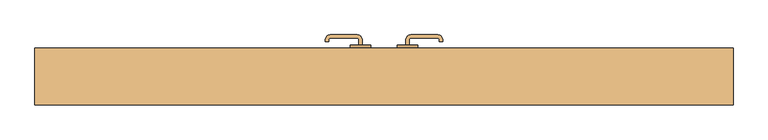
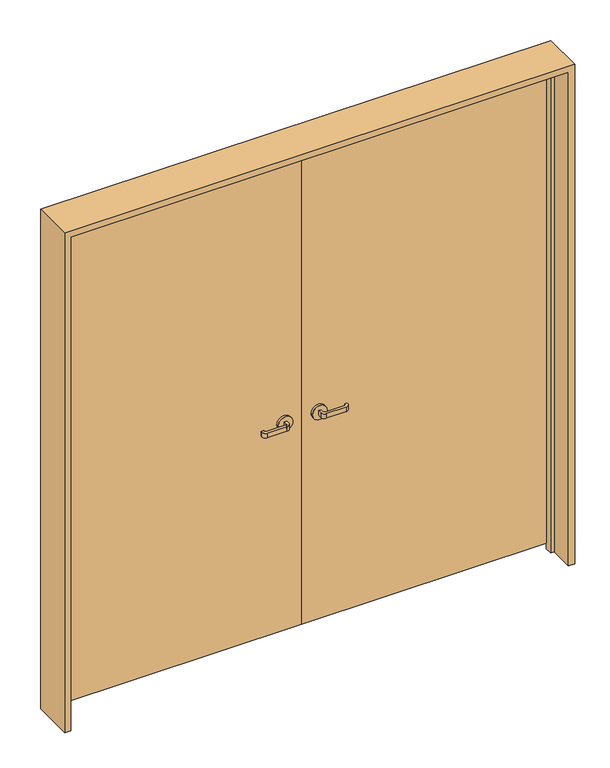
"""IFC4 building model written with IfcOpenShell, lengths in millimetres: door geometry."""

from ifc_helpers import new_model, si_unit, point, frame, frame_2d, origin, place, context, project, spatial, polyline, circle_curve, trimmed, segment, composite_curve, outline, extrude, faceted_brep, source, transform, mapped, element, save


def door_c8817a07(model_context):
    return source(origin(), model_context, "Body", "SolidModel", [
        extrude(outline(composite_curve([segment(polyline([(-65.0, 95.0), (-75.0, 95.0), (-75.0, 110.0)]), True, "CONTINUOUS"), segment(trimmed(circle_curve(frame_2d((-80.0, 110.0)), 5.0), [point((-75.0, 110.0))], [point((-80.0, 115.0))], True, "CARTESIAN"), True, "CONTINUOUS"), segment(polyline([(-80.0, 115.0), (-160.0, 115.0)]), True, "CONTINUOUS"), segment(trimmed(circle_curve(frame_2d((-160.0, 110.0)), 5.0), [point((-160.0, 115.0))], [point((-165.0, 110.0))], True, "CARTESIAN"), True, "CONTINUOUS"), segment(polyline([(-165.0, 110.0), (-165.0, 105.0), (-175.0, 105.0), (-175.0, 110.0)]), True, "CONTINUOUS"), segment(trimmed(circle_curve(frame_2d((-160.0, 110.0)), 15.0), [point((-175.0, 110.0))], [point((-160.0, 125.0))], False, "CARTESIAN"), True, "CONTINUOUS"), segment(polyline([(-160.0, 125.0), (-80.0, 125.0)]), True, "CONTINUOUS"), segment(trimmed(circle_curve(frame_2d((-80.0, 110.0)), 15.0), [point((-80.0, 125.0))], [point((-65.0, 110.0))], False, "CARTESIAN"), True, "CONTINUOUS"), segment(polyline([(-65.0, 110.0), (-65.0, 95.0)]), True, "CONTINUOUS")], self_intersect=False)), frame((0.0, 0.0, 895.0), z_axis=(0.0, 0.0, 1.0), x_axis=(1.0, 0.0, 0.0)), (0.0, 0.0, 1.0), 20.0),
        extrude(outline(composite_curve([segment(trimmed(circle_curve(frame_2d((905.0, -70.0)), 30.0), [point((905.0, -40.0))], [point((905.0, -100.0))], False, "CARTESIAN"), True, "CONTINUOUS"), segment(trimmed(circle_curve(frame_2d((905.0, -70.0)), 30.0), [point((905.0, -100.0))], [point((905.0, -40.0))], False, "CARTESIAN"), True, "CONTINUOUS")], self_intersect=False)), frame((0.0, 85.0, 0.0), z_axis=(0.0, 1.0, 0.0), x_axis=(0.0, 0.0, 1.0)), (0.0, 0.0, 1.0), 10.0),
        extrude(outline(composite_curve([segment(polyline([(-75.0, 35.0), (-65.0, 35.0), (-65.0, 20.0)]), True, "CONTINUOUS"), segment(trimmed(circle_curve(frame_2d((-80.0, 20.0)), 15.0), [point((-65.0, 20.0))], [point((-80.0, 5.0))], False, "CARTESIAN"), True, "CONTINUOUS"), segment(polyline([(-80.0, 5.0), (-160.0, 5.0)]), True, "CONTINUOUS"), segment(trimmed(circle_curve(frame_2d((-160.0, 20.0)), 15.0), [point((-160.0, 5.0))], [point((-175.0, 20.0))], False, "CARTESIAN"), True, "CONTINUOUS"), segment(polyline([(-175.0, 20.0), (-175.0, 25.0), (-165.0, 25.0), (-165.0, 20.0)]), True, "CONTINUOUS"), segment(trimmed(circle_curve(frame_2d((-160.0, 20.0)), 5.0), [point((-165.0, 20.0))], [point((-160.0, 15.0))], True, "CARTESIAN"), True, "CONTINUOUS"), segment(polyline([(-160.0, 15.0), (-80.0, 15.0)]), True, "CONTINUOUS"), segment(trimmed(circle_curve(frame_2d((-80.0, 20.0)), 5.0), [point((-80.0, 15.0))], [point((-75.0, 20.0))], True, "CARTESIAN"), True, "CONTINUOUS"), segment(polyline([(-75.0, 20.0), (-75.0, 35.0)]), True, "CONTINUOUS")], self_intersect=False)), frame((0.0, 0.0, 895.0), z_axis=(0.0, 0.0, 1.0), x_axis=(1.0, 0.0, 0.0)), (0.0, 0.0, 1.0), 20.0),
        extrude(outline(composite_curve([segment(trimmed(circle_curve(frame_2d((905.0, -70.0)), 30.0), [point((905.0, -40.0))], [point((905.0, -100.0))], False, "CARTESIAN"), True, "CONTINUOUS"), segment(trimmed(circle_curve(frame_2d((905.0, -70.0)), 30.0), [point((905.0, -100.0))], [point((905.0, -40.0))], False, "CARTESIAN"), True, "CONTINUOUS")], self_intersect=False)), frame((0.0, 35.0, 0.0), z_axis=(0.0, 1.0, 0.0), x_axis=(0.0, 0.0, 1.0)), (0.0, 0.0, 1.0), 10.0),
        extrude(outline(polyline([(0.0, 45.0), (-1010.0, 45.0), (-1010.0, 85.0), (0.0, 85.0), (0.0, 45.0)])), frame((0.0, 0.0, 10.0), z_axis=(0.0, 0.0, 1.0), x_axis=(1.0, 0.0, 0.0)), (0.0, 0.0, 1.0), 2100.0),
        extrude(outline(composite_curve([segment(polyline([(65.0, 35.0), (75.0, 35.0), (75.0, 20.0)]), True, "CONTINUOUS"), segment(trimmed(circle_curve(frame_2d((80.0, 20.0)), 5.0), [point((75.0, 20.0))], [point((80.0, 15.0))], True, "CARTESIAN"), True, "CONTINUOUS"), segment(polyline([(80.0, 15.0), (160.0, 15.0)]), True, "CONTINUOUS"), segment(trimmed(circle_curve(frame_2d((160.0, 20.0)), 5.0), [point((160.0, 15.0))], [point((165.0, 20.0))], True, "CARTESIAN"), True, "CONTINUOUS"), segment(polyline([(165.0, 20.0), (165.0, 25.0), (175.0, 25.0), (175.0, 20.0)]), True, "CONTINUOUS"), segment(trimmed(circle_curve(frame_2d((160.0, 20.0)), 15.0), [point((175.0, 20.0))], [point((160.0, 5.0))], False, "CARTESIAN"), True, "CONTINUOUS"), segment(polyline([(160.0, 5.0), (80.0, 5.0)]), True, "CONTINUOUS"), segment(trimmed(circle_curve(frame_2d((80.0, 20.0)), 15.0), [point((80.0, 5.0))], [point((65.0, 20.0))], False, "CARTESIAN"), True, "CONTINUOUS"), segment(polyline([(65.0, 20.0), (65.0, 35.0)]), True, "CONTINUOUS")], self_intersect=False)), frame((0.0, 0.0, 895.0), z_axis=(0.0, 0.0, 1.0), x_axis=(1.0, 0.0, 0.0)), (0.0, 0.0, 1.0), 20.0),
        extrude(outline(composite_curve([segment(trimmed(circle_curve(frame_2d((905.0, 70.0)), 30.0), [point((905.0, 40.0))], [point((905.0, 100.0))], False, "CARTESIAN"), True, "CONTINUOUS"), segment(trimmed(circle_curve(frame_2d((905.0, 70.0)), 30.0), [point((905.0, 100.0))], [point((905.0, 40.0))], False, "CARTESIAN"), True, "CONTINUOUS")], self_intersect=False)), frame((0.0, 35.0, 0.0), z_axis=(0.0, 1.0, 0.0), x_axis=(0.0, 0.0, 1.0)), (0.0, 0.0, 1.0), 10.0),
        extrude(outline(composite_curve([segment(polyline([(75.0, 95.0), (65.0, 95.0), (65.0, 110.0)]), True, "CONTINUOUS"), segment(trimmed(circle_curve(frame_2d((80.0, 110.0)), 15.0), [point((65.0, 110.0))], [point((80.0, 125.0))], False, "CARTESIAN"), True, "CONTINUOUS"), segment(polyline([(80.0, 125.0), (160.0, 125.0)]), True, "CONTINUOUS"), segment(trimmed(circle_curve(frame_2d((160.0, 110.0)), 15.0), [point((160.0, 125.0))], [point((175.0, 110.0))], False, "CARTESIAN"), True, "CONTINUOUS"), segment(polyline([(175.0, 110.0), (175.0, 105.0), (165.0, 105.0), (165.0, 110.0)]), True, "CONTINUOUS"), segment(trimmed(circle_curve(frame_2d((160.0, 110.0)), 5.0), [point((165.0, 110.0))], [point((160.0, 115.0))], True, "CARTESIAN"), True, "CONTINUOUS"), segment(polyline([(160.0, 115.0), (80.0, 115.0)]), True, "CONTINUOUS"), segment(trimmed(circle_curve(frame_2d((80.0, 110.0)), 5.0), [point((80.0, 115.0))], [point((75.0, 110.0))], True, "CARTESIAN"), True, "CONTINUOUS"), segment(polyline([(75.0, 110.0), (75.0, 95.0)]), True, "CONTINUOUS")], self_intersect=False)), frame((0.0, 0.0, 895.0), z_axis=(0.0, 0.0, 1.0), x_axis=(1.0, 0.0, 0.0)), (0.0, 0.0, 1.0), 20.0),
        extrude(outline(composite_curve([segment(trimmed(circle_curve(frame_2d((905.0, 70.0)), 30.0), [point((905.0, 40.0))], [point((905.0, 100.0))], False, "CARTESIAN"), True, "CONTINUOUS"), segment(trimmed(circle_curve(frame_2d((905.0, 70.0)), 30.0), [point((905.0, 100.0))], [point((905.0, 40.0))], False, "CARTESIAN"), True, "CONTINUOUS")], self_intersect=False)), frame((0.0, 85.0, 0.0), z_axis=(0.0, 1.0, 0.0), x_axis=(0.0, 0.0, 1.0)), (0.0, 0.0, 1.0), 10.0),
        extrude(outline(polyline([(1010.0, 45.0), (0.0, 45.0), (0.0, 85.0), (1010.0, 85.0), (1010.0, 45.0)])), frame((0.0, 0.0, 10.0), z_axis=(0.0, 0.0, 1.0), x_axis=(1.0, 0.0, 0.0)), (0.0, 0.0, 1.0), 2100.0),
        faceted_brep([(-1015.0, 85.0, -15.0), (-1015.0, 45.0, -15.0), (-1000.0, 45.0, -15.0), (-1000.0, 15.0, -15.0), (-1015.0, 15.0, -15.0), (-1015.0, -85.0, -15.0), (-1040.0, -85.0, -15.0), (-1040.0, 85.0, -15.0), (-1015.0, 85.0, 2115.0), (-1015.0, 45.0, 2115.0), (1015.0, 45.0, 2115.0), (1015.0, 45.0, -15.0), (1000.0, 45.0, -15.0), (1000.0, 45.0, 2100.0), (-1000.0, 45.0, 2100.0), (-1000.0, 15.0, 2100.0), (1000.0, 15.0, 2100.0), (1000.0, 15.0, -15.0), (1015.0, 15.0, -15.0), (1015.0, 15.0, 2115.0), (-1015.0, 15.0, 2115.0), (-1015.0, -85.0, 2115.0), (1015.0, -85.0, 2115.0), (1015.0, -85.0, -15.0), (1040.0, -85.0, -15.0), (1040.0, -85.0, 2140.0), (-1040.0, -85.0, 2140.0), (-1040.0, 85.0, 2140.0), (1040.0, 85.0, 2140.0), (1040.0, 85.0, -15.0), (1015.0, 85.0, -15.0), (1015.0, 85.0, 2115.0)], [[[0, 1, 2, 3, 4, 5, 6, 7]], [[1, 0, 8, 9]], [[2, 1, 9, 10, 11, 12, 13, 14]], [[3, 2, 14, 15]], [[4, 3, 15, 16, 17, 18, 19, 20]], [[5, 4, 20, 21]], [[6, 5, 21, 22, 23, 24, 25, 26]], [[7, 6, 26, 27]], [[0, 7, 27, 28, 29, 30, 31, 8]], [[9, 8, 31, 10]], [[15, 14, 13, 16]], [[21, 20, 19, 22]], [[27, 26, 25, 28]], [[30, 29, 24, 23, 18, 17, 12, 11]], [[10, 31, 30, 11]], [[16, 13, 12, 17]], [[22, 19, 18, 23]], [[28, 25, 24, 29]]]),
    ])


if __name__ == "__main__":
    model = new_model("IFC4")
    model_context = context("Model", 3, world=origin())
    ifc_project = project(units=[si_unit("LENGTHUNIT", "METRE", prefix="MILLI")], contexts=[model_context])
    site = spatial("IfcSite", under=ifc_project)
    building = spatial("IfcBuilding", under=site)
    placement = place(None, origin())
    door_shape = door_c8817a07(model_context)
    element("IfcDoor", 1, at=placement, inside=building, context=model_context, shape_type="MappedRepresentation", body=[
        mapped(door_shape, transform((0.0, 0.0, 0.0), x_axis=(1.0, 0.0, 0.0), y_axis=(0.0, 1.0, 0.0), z_axis=(0.0, 0.0, 1.0))),
    ])
    save(model, "model.ifc")
